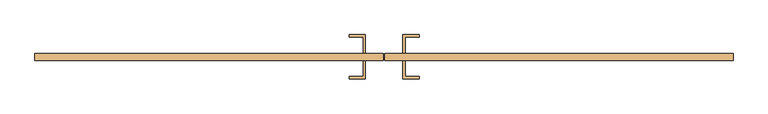
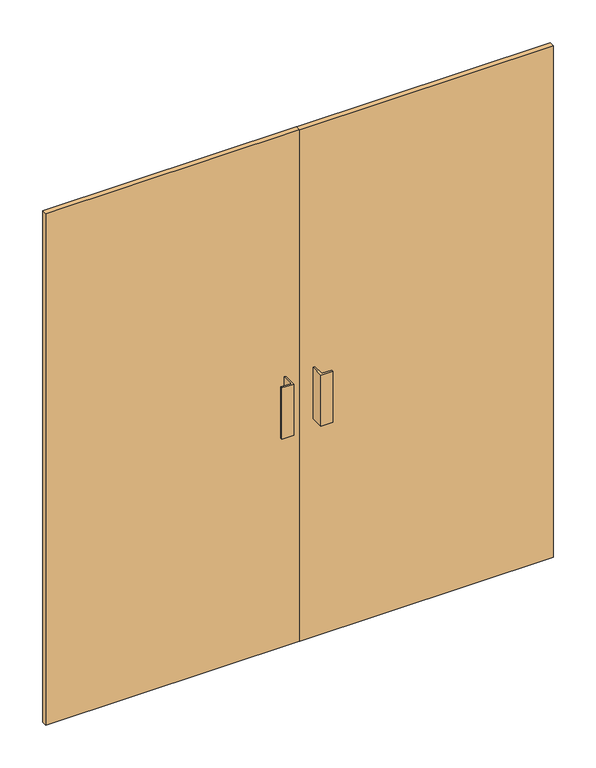
"""IFC4 building model written with IfcOpenShell, lengths in millimetres: door geometry."""

from ifc_helpers import new_model, si_unit, frame, origin, origin_with_axes, place, context, project, spatial, polyline, outline, extrude, source, transform, mapped, element, save


def door_0fcf24ba(model_context):
    return source(origin(), model_context, "Body", "SweptSolid", [
        extrude(outline(polyline([(-1.5643999, -31.75), (-1.5643999, -50.8), (-950.0, -50.8), (-950.0, -31.75), (-1.5643999, -31.75)])), origin_with_axes(), (0.0, 0.0, 1.0), 2025.0),
        extrude(outline(polyline([(950.0, -31.75), (950.0, -50.8), (1.6106001, -50.8), (1.6106001, -31.75), (950.0, -31.75)])), origin_with_axes(), (0.0, 0.0, 1.0), 2025.0),
        extrude(outline(polyline([(-50.7768999, -101.6), (-95.2268999, -101.6), (-95.2268999, -95.25), (-57.1268999, -95.25), (-57.1268999, -50.8), (-50.7768999, -50.8), (-50.7768999, -101.6)])), frame((0.0, 0.0, 863.6), z_axis=(0.0, 0.0, 1.0), x_axis=(1.0, 0.0, 0.0)), (0.0, 0.0, 1.0), 203.2),
        extrude(outline(polyline([(50.8231001, -101.6), (50.8231001, -50.8), (57.1731001, -50.8), (57.1731001, -95.25), (95.2731001, -95.25), (95.2731001, -101.6), (50.8231001, -101.6)])), frame((0.0, 0.0, 863.6), z_axis=(0.0, 0.0, 1.0), x_axis=(1.0, 0.0, 0.0)), (0.0, 0.0, 1.0), 203.2),
        extrude(outline(polyline([(-50.7768999, 19.05), (-50.7768999, -31.75), (-57.1268999, -31.75), (-57.1268999, 12.7), (-95.2268999, 12.7), (-95.2268999, 19.05), (-50.7768999, 19.05)])), frame((0.0, 0.0, 863.6), z_axis=(0.0, 0.0, 1.0), x_axis=(1.0, 0.0, 0.0)), (0.0, 0.0, 1.0), 203.2),
        extrude(outline(polyline([(50.8231001, 19.05), (95.2731001, 19.05), (95.2731001, 12.7), (57.1731001, 12.7), (57.1731001, -31.75), (50.8231001, -31.75), (50.8231001, 19.05)])), frame((0.0, 0.0, 863.6), z_axis=(0.0, 0.0, 1.0), x_axis=(1.0, 0.0, 0.0)), (0.0, 0.0, 1.0), 203.2),
    ])


if __name__ == "__main__":
    model = new_model("IFC4")
    model_context = context("Model", 3, world=origin())
    ifc_project = project(units=[si_unit("LENGTHUNIT", "METRE", prefix="MILLI")], contexts=[model_context])
    site = spatial("IfcSite", under=ifc_project)
    building = spatial("IfcBuilding", under=site)
    placement = place(None, origin())
    door_shape = door_0fcf24ba(model_context)
    element("IfcDoor", 1, at=placement, inside=building, context=model_context, shape_type="MappedRepresentation", body=[
        mapped(door_shape, transform((0.0, 0.0, 0.0), x_axis=(1.0, 0.0, 0.0), y_axis=(0.0, 1.0, 0.0), z_axis=(0.0, 0.0, 1.0))),
    ])
    save(model, "model.ifc")
